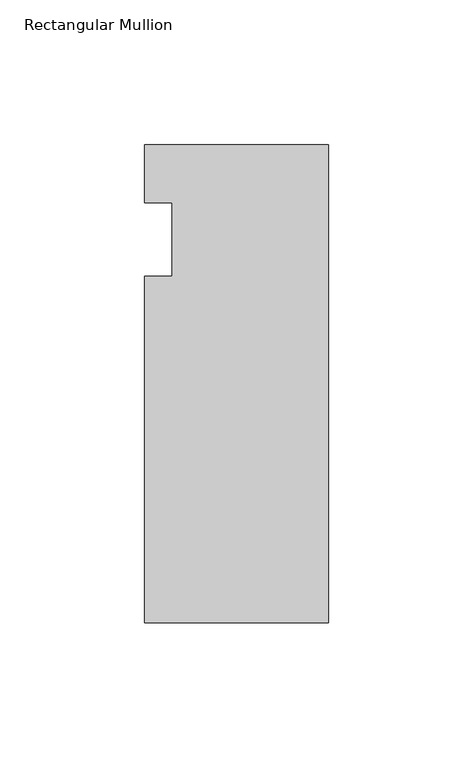
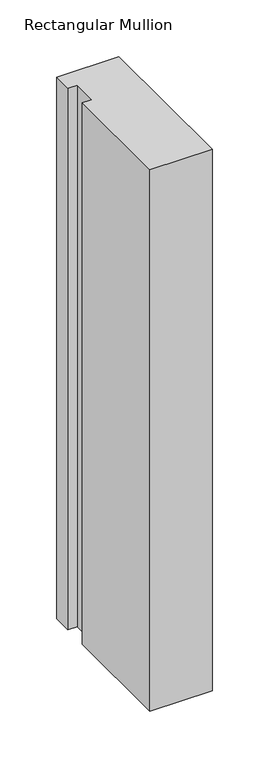
"""IFC4 building model written with IfcOpenShell, lengths in millimetres: member geometry, Rectangular Mullion."""

import ifcopenshell
import ifcopenshell.guid

model = None  # the IFC model being written
_history = None  # IfcOwnerHistory: only IFC2X3 demands one
_inside = {}  # id of a spatial element -> (the spatial element, [elements in it])
_under = {}  # id of a project, library or spatial element -> (it, [spatial elements below it])
_declared = {}  # id of a project -> (the project, [libraries it declares])
_typed = {}  # id of a type object -> (the type object, [elements of that type])
_made_of = {}  # id of a material, layer set ... -> (it, [elements and type objects made of it])


def new_model(schema):
    """Start an empty IFC model of exactly this schema.

    Asked for "IFC4X3", IfcOpenShell would pick the latest addendum, in which some entities
    have other attributes; the version numbers below select the first issue.
    IFC2X3 requires an IfcOwnerHistory on every rooted entity: one is made here for all.
    """
    global model, _history
    if schema == "IFC4X3":
        model = ifcopenshell.file(schema_version=(4, 3, 0, 0))
    else:
        model = ifcopenshell.file(schema=schema)
    _inside.clear()
    _under.clear()
    _declared.clear()
    _typed.clear()
    _made_of.clear()
    _history = None
    if model.schema == "IFC2X3":
        org = make("IfcOrganization", Name="unknown")
        user = make(
            "IfcPersonAndOrganization",
            ThePerson=make("IfcPerson", FamilyName="unknown"),
            TheOrganization=org,
        )
        app = make(
            "IfcApplication",
            ApplicationDeveloper=org,
            Version="unknown",
            ApplicationFullName="unknown",
            ApplicationIdentifier="unknown",
        )
        _history = make(
            "IfcOwnerHistory",
            OwningUser=user,
            OwningApplication=app,
            ChangeAction="ADDED",
            CreationDate=0,
        )
    return model


def make(cls, **values):
    """One entity of the class cls with the attributes given. An attribute that is None is left unset."""
    return model.create_entity(
        cls, **{name: value for name, value in values.items() if value is not None}
    )


def rooted(cls, **values):
    """An entity with a GlobalId (a new one), such as an element, a storey or a relation."""
    return make(cls, GlobalId=ifcopenshell.guid.new(), OwnerHistory=_history, **values)


def si_unit(unit_type, name, prefix=None):
    """IfcSIUnit, for example si_unit("LENGTHUNIT", "METRE", prefix="MILLI")."""
    return make("IfcSIUnit", UnitType=unit_type, Prefix=prefix, Name=name)


def assignment(units):
    """IfcUnitAssignment: the units of a project."""
    return None if units is None else make("IfcUnitAssignment", Units=units)


def point(xyz):
    """IfcCartesianPoint."""
    return None if xyz is None else make("IfcCartesianPoint", Coordinates=xyz)


def direction(xyz):
    """IfcDirection."""
    return None if xyz is None else make("IfcDirection", DirectionRatios=xyz)


def frame(location, z_axis=None, x_axis=None):
    """IfcAxis2Placement3D, a coordinate frame: its origin and axes. An axis left out is left unset."""
    return make(
        "IfcAxis2Placement3D",
        Location=point(location),
        Axis=direction(z_axis),
        RefDirection=direction(x_axis),
    )


def origin():
    """The frame at (0, 0, 0) with its axes left unset."""
    return frame((0.0, 0.0, 0.0))


def place(relative_to, where):
    """IfcLocalPlacement: puts the frame where relative to a parent placement (None: the world)."""
    return make(
        "IfcLocalPlacement", PlacementRelTo=relative_to, RelativePlacement=where
    )


def context(
    kind, dimensions, precision=None, world=None, true_north=None, identifier=None
):
    """IfcGeometricRepresentationContext, for example the 3D "Model" context."""
    return make(
        "IfcGeometricRepresentationContext",
        ContextIdentifier=identifier,
        ContextType=kind,
        CoordinateSpaceDimension=dimensions,
        Precision=precision,
        WorldCoordinateSystem=world,
        TrueNorth=true_north,
    )


def project(units=None, contexts=None):
    """IfcProject with its units and contexts."""
    return rooted(
        "IfcProject",
        Name="project",
        RepresentationContexts=contexts,
        UnitsInContext=assignment(units),
    )


def spatial(cls, under=None, at=None, **own):
    """A site, building, storey or space (cls), placed at a placement, below another one or the project."""
    s = rooted(cls, ObjectPlacement=at, **own)
    if under is not None:
        _under.setdefault(under.id(), (under, []))[1].append(s)
    return s


def polyline(points):
    """IfcPolyline through the points."""
    return make("IfcPolyline", Points=[point(p) for p in points])


def outline(outer, holes=None, kind="AREA"):
    """IfcArbitraryClosedProfileDef: a profile drawn as a closed curve; with holes, ...WithVoids."""
    if holes is None:
        return make("IfcArbitraryClosedProfileDef", ProfileType=kind, OuterCurve=outer)
    return make(
        "IfcArbitraryProfileDefWithVoids",
        ProfileType=kind,
        OuterCurve=outer,
        InnerCurves=holes,
    )


def extrude(swept, where, along, depth):
    """IfcExtrudedAreaSolid: the profile swept, set in the frame where, extruded along a direction by depth."""
    return make(
        "IfcExtrudedAreaSolid",
        SweptArea=swept,
        Position=where,
        ExtrudedDirection=direction(along),
        Depth=depth,
    )


def shape(context_of_items, identifier, shape_type, items):
    """IfcShapeRepresentation: the items that make up one representation, for example the "Body"."""
    return make(
        "IfcShapeRepresentation",
        ContextOfItems=context_of_items,
        RepresentationIdentifier=identifier,
        RepresentationType=shape_type,
        Items=items,
    )


def source(mapping_origin, context_of_items, identifier, shape_type, items):
    """IfcRepresentationMap: a shape defined once, which mapped items show again and again."""
    return make(
        "IfcRepresentationMap",
        MappingOrigin=mapping_origin,
        MappedRepresentation=shape(context_of_items, identifier, shape_type, items),
    )


def transform(
    local_origin,
    x_axis=None,
    y_axis=None,
    z_axis=None,
    scale=None,
    scale2=None,
    scale3=None,
    uniform=True,
):
    """IfcCartesianTransformationOperator3D, or its non-uniform kind. x_axis, y_axis, z_axis: its Axis1, 2, 3."""
    if uniform:
        return make(
            "IfcCartesianTransformationOperator3D",
            Axis1=direction(x_axis),
            Axis2=direction(y_axis),
            LocalOrigin=point(local_origin),
            Scale=scale,
            Axis3=direction(z_axis),
        )
    return make(
        "IfcCartesianTransformationOperator3DnonUniform",
        Axis1=direction(x_axis),
        Axis2=direction(y_axis),
        LocalOrigin=point(local_origin),
        Scale=scale,
        Axis3=direction(z_axis),
        Scale2=scale2,
        Scale3=scale3,
    )


def mapped(mapping_source, mapping_target):
    """IfcMappedItem: shows the shape of a source again, moved by a transform."""
    return make(
        "IfcMappedItem", MappingSource=mapping_source, MappingTarget=mapping_target
    )


def made_of(thing, what):
    """Note that an element or type object is made of a material, layer set ...; save() writes the relation."""
    if what is not None:
        _made_of.setdefault(what.id(), (what, []))[1].append(thing)
    return thing


def element(
    cls,
    number,
    at=None,
    inside=None,
    cuts=None,
    type_object=None,
    material=None,
    context=None,
    identifier="Body",
    shape_type=None,
    held_by="IfcProductDefinitionShape",
    body=None,
    shapes=None,
    **own,
):
    """One element of the class cls, such as IfcWall. Its Tag is "e" and its number.

    at: its placement. inside: the storey or other place that contains it. cuts: it is an
    opening in that element (IfcRelVoidsElement). A single representation is given by context,
    identifier, shape_type and body (its items); several are given by shapes. held_by: the class
    of the entity that holds the representations. save() writes the other relations.
    """
    e = rooted(cls, Tag="e%d" % number, ObjectPlacement=at, **own)
    if body is not None:
        shapes = [shape(context, identifier, shape_type, body)]
    if shapes is not None:
        e.Representation = make(held_by, Representations=shapes)
    if inside is not None:
        _inside.setdefault(inside.id(), (inside, []))[1].append(e)
    if cuts is not None:
        rooted(
            "IfcRelVoidsElement", RelatingBuildingElement=cuts, RelatedOpeningElement=e
        )
    if type_object is not None:
        _typed.setdefault(type_object.id(), (type_object, []))[1].append(e)
    return made_of(e, material)


def aggregate(whole, parts):
    """IfcRelAggregates: a whole, such as a stair, and the parts it consists of."""
    return rooted("IfcRelAggregates", RelatingObject=whole, RelatedObjects=parts)


def save(model, path):
    """Write the relations noted so far, then the file.

    IfcRelAggregates (storeys below a building ...), IfcRelContainedInSpatialStructure (elements
    in a storey), IfcRelDefinesByType, IfcRelAssociatesMaterial and IfcRelDeclares: one each for
    every whole, place, type object, material and project.
    """
    for whole, parts in _under.values():
        aggregate(whole, parts)
    for where, things in _inside.values():
        rooted(
            "IfcRelContainedInSpatialStructure",
            RelatedElements=things,
            RelatingStructure=where,
        )
    for kind, things in _typed.values():
        rooted("IfcRelDefinesByType", RelatedObjects=things, RelatingType=kind)
    for what, things in _made_of.values():
        rooted("IfcRelAssociatesMaterial", RelatedObjects=things, RelatingMaterial=what)
    for by, libraries in _declared.values():
        rooted("IfcRelDeclares", RelatingContext=by, RelatedDefinitions=libraries)
    model.write(path)


def rectangular_mullion_c9efb13f(model_context):
    return source(origin(), model_context, "Body", "SweptSolid", [
        extrude(outline(polyline([(-63.5, 20.0421875), (0.0, 20.0421875), (0.0, -145.0578125), (-63.5, -145.0578125), (-63.5, -25.4), (-53.975, -25.4), (-53.975, 0.0), (-63.5, 0.0), (-63.5, 20.0421875)])), frame((0.0, 0.0, -584.2), z_axis=(0.0, 0.0, 1.0), x_axis=(1.0, 0.0, 0.0)), (0.0, 0.0, 1.0), 584.2),
    ])


if __name__ == "__main__":
    model = new_model("IFC4")
    model_context = context("Model", 3, world=origin())
    ifc_project = project(units=[si_unit("LENGTHUNIT", "METRE", prefix="MILLI")], contexts=[model_context])
    site = spatial("IfcSite", under=ifc_project)
    building = spatial("IfcBuilding", under=site)
    placement = place(None, origin())
    rectangular_mullion_shape = rectangular_mullion_c9efb13f(model_context)
    element("IfcMember", 1, ObjectType="Rectangular Mullion", at=placement, inside=building, context=model_context, shape_type="MappedRepresentation", body=[
        mapped(rectangular_mullion_shape, transform((0.0, 0.0, 0.0), x_axis=(1.0, 0.0, 0.0), y_axis=(0.0, 1.0, 0.0), z_axis=(0.0, 0.0, 1.0))),
    ])
    save(model, "model.ifc")
